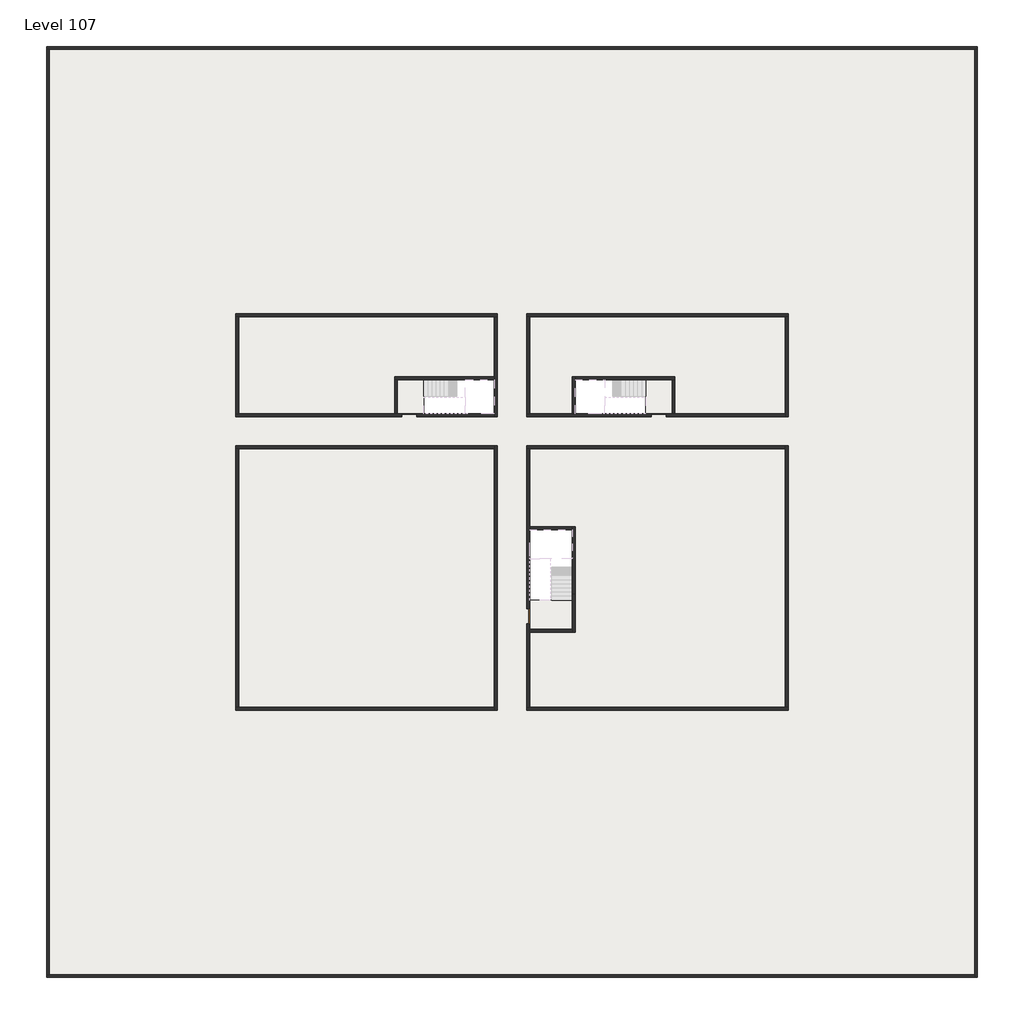
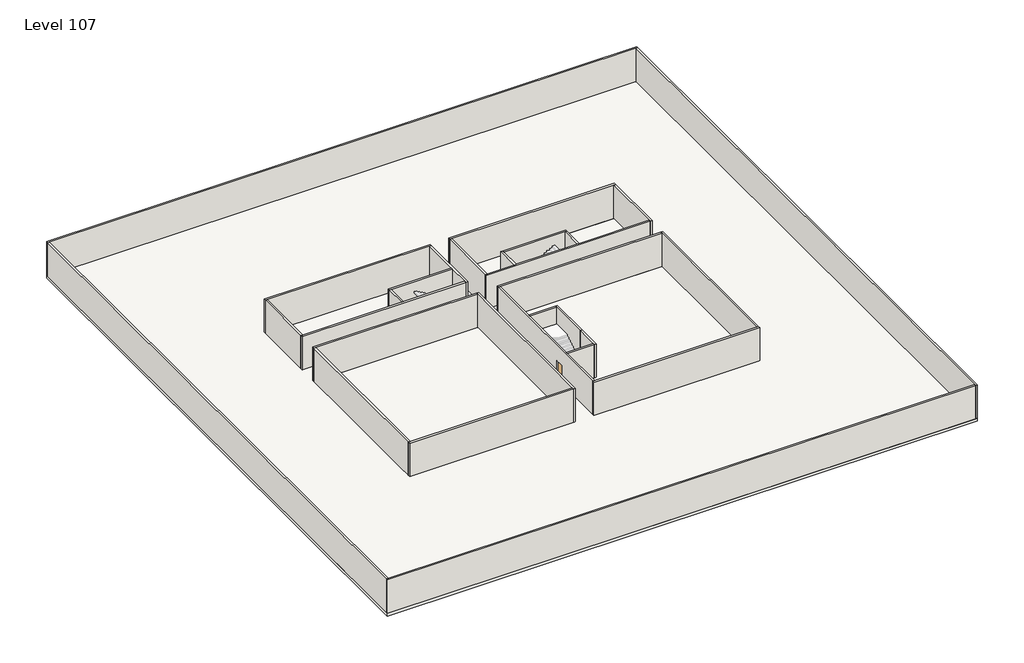
# One storey, part 1 of 2: 29 walls, 3 doors, 3 slabs.
"""IFC4 building model written with IfcOpenShell, lengths in millimetres."""

import ifcopenshell
import ifcopenshell.guid

model = None  # the IFC model being written
_history = None  # IfcOwnerHistory: only IFC2X3 demands one
_inside = {}  # id of a spatial element -> (the spatial element, [elements in it])
_under = {}  # id of a project, library or spatial element -> (it, [spatial elements below it])
_declared = {}  # id of a project -> (the project, [libraries it declares])
_typed = {}  # id of a type object -> (the type object, [elements of that type])
_made_of = {}  # id of a material, layer set ... -> (it, [elements and type objects made of it])


def new_model(schema):
    """Start an empty IFC model of exactly this schema.

    Asked for "IFC4X3", IfcOpenShell would pick the latest addendum, in which some entities
    have other attributes; the version numbers below select the first issue.
    IFC2X3 requires an IfcOwnerHistory on every rooted entity: one is made here for all.
    """
    global model, _history
    if schema == "IFC4X3":
        model = ifcopenshell.file(schema_version=(4, 3, 0, 0))
    else:
        model = ifcopenshell.file(schema=schema)
    _inside.clear()
    _under.clear()
    _declared.clear()
    _typed.clear()
    _made_of.clear()
    _history = None
    if model.schema == "IFC2X3":
        org = make("IfcOrganization", Name="unknown")
        user = make(
            "IfcPersonAndOrganization",
            ThePerson=make("IfcPerson", FamilyName="unknown"),
            TheOrganization=org,
        )
        app = make(
            "IfcApplication",
            ApplicationDeveloper=org,
            Version="unknown",
            ApplicationFullName="unknown",
            ApplicationIdentifier="unknown",
        )
        _history = make(
            "IfcOwnerHistory",
            OwningUser=user,
            OwningApplication=app,
            ChangeAction="ADDED",
            CreationDate=0,
        )
    return model


def make(cls, **values):
    """One entity of the class cls with the attributes given. An attribute that is None is left unset."""
    return model.create_entity(
        cls, **{name: value for name, value in values.items() if value is not None}
    )


def rooted(cls, **values):
    """An entity with a GlobalId (a new one), such as an element, a storey or a relation."""
    return make(cls, GlobalId=ifcopenshell.guid.new(), OwnerHistory=_history, **values)


def si_unit(unit_type, name, prefix=None):
    """IfcSIUnit, for example si_unit("LENGTHUNIT", "METRE", prefix="MILLI")."""
    return make("IfcSIUnit", UnitType=unit_type, Prefix=prefix, Name=name)


def assignment(units):
    """IfcUnitAssignment: the units of a project."""
    return None if units is None else make("IfcUnitAssignment", Units=units)


def point(xyz):
    """IfcCartesianPoint."""
    return None if xyz is None else make("IfcCartesianPoint", Coordinates=xyz)


def direction(xyz):
    """IfcDirection."""
    return None if xyz is None else make("IfcDirection", DirectionRatios=xyz)


def frame(location, z_axis=None, x_axis=None):
    """IfcAxis2Placement3D, a coordinate frame: its origin and axes. An axis left out is left unset."""
    return make(
        "IfcAxis2Placement3D",
        Location=point(location),
        Axis=direction(z_axis),
        RefDirection=direction(x_axis),
    )


def origin():
    """The frame at (0, 0, 0) with its axes left unset."""
    return frame((0.0, 0.0, 0.0))


def origin_with_axes():
    """The frame at (0, 0, 0) with the z axis (0, 0, 1) and the x axis (1, 0, 0) written out."""
    return frame((0.0, 0.0, 0.0), z_axis=(0.0, 0.0, 1.0), x_axis=(1.0, 0.0, 0.0))


def place(relative_to, where):
    """IfcLocalPlacement: puts the frame where relative to a parent placement (None: the world)."""
    return make(
        "IfcLocalPlacement", PlacementRelTo=relative_to, RelativePlacement=where
    )


def context(
    kind, dimensions, precision=None, world=None, true_north=None, identifier=None
):
    """IfcGeometricRepresentationContext, for example the 3D "Model" context."""
    return make(
        "IfcGeometricRepresentationContext",
        ContextIdentifier=identifier,
        ContextType=kind,
        CoordinateSpaceDimension=dimensions,
        Precision=precision,
        WorldCoordinateSystem=world,
        TrueNorth=true_north,
    )


def project(units=None, contexts=None):
    """IfcProject with its units and contexts."""
    return rooted(
        "IfcProject",
        Name="project",
        RepresentationContexts=contexts,
        UnitsInContext=assignment(units),
    )


def spatial(cls, under=None, at=None, **own):
    """A site, building, storey or space (cls), placed at a placement, below another one or the project."""
    s = rooted(cls, ObjectPlacement=at, **own)
    if under is not None:
        _under.setdefault(under.id(), (under, []))[1].append(s)
    return s


def polyline(points):
    """IfcPolyline through the points."""
    return make("IfcPolyline", Points=[point(p) for p in points])


def outline(outer, holes=None, kind="AREA"):
    """IfcArbitraryClosedProfileDef: a profile drawn as a closed curve; with holes, ...WithVoids."""
    if holes is None:
        return make("IfcArbitraryClosedProfileDef", ProfileType=kind, OuterCurve=outer)
    return make(
        "IfcArbitraryProfileDefWithVoids",
        ProfileType=kind,
        OuterCurve=outer,
        InnerCurves=holes,
    )


def extrude(swept, where, along, depth):
    """IfcExtrudedAreaSolid: the profile swept, set in the frame where, extruded along a direction by depth."""
    return make(
        "IfcExtrudedAreaSolid",
        SweptArea=swept,
        Position=where,
        ExtrudedDirection=direction(along),
        Depth=depth,
    )


def faces_of(points, faces, orient=None, outer=None):
    """IfcFace entities. A face is a list of loops; a loop is a list of indices into points, from 0.

    orient and outer hold one flag for each loop. By default every Orientation is true, the
    first loop of a face is its IfcFaceOuterBound and the others are IfcFaceBound.
    """
    made = []
    for i, loops in enumerate(faces):
        bounds = []
        for j, loop in enumerate(loops):
            is_outer = j == 0 if outer is None else outer[i][j]
            bounds.append(
                make(
                    "IfcFaceOuterBound" if is_outer else "IfcFaceBound",
                    Bound=make("IfcPolyLoop", Polygon=[points[k] for k in loop]),
                    Orientation=True if orient is None else orient[i][j],
                )
            )
        made.append(make("IfcFace", Bounds=bounds))
    return made


def faceted_brep(points, faces, orient=None, outer=None, voids=None):
    """IfcFacetedBrep: a solid bounded by flat faces; with voids (closed shells), ...WithVoids."""
    shared = [point(p) for p in points]
    hull = make("IfcClosedShell", CfsFaces=faces_of(shared, faces, orient, outer))
    if voids is None:
        return make("IfcFacetedBrep", Outer=hull)
    return make(
        "IfcFacetedBrepWithVoids",
        Outer=hull,
        Voids=[
            make(cls, CfsFaces=faces_of(shared, fs, o, b)) for cls, fs, o, b in voids
        ],
    )


def shape(context_of_items, identifier, shape_type, items):
    """IfcShapeRepresentation: the items that make up one representation, for example the "Body"."""
    return make(
        "IfcShapeRepresentation",
        ContextOfItems=context_of_items,
        RepresentationIdentifier=identifier,
        RepresentationType=shape_type,
        Items=items,
    )


def source(mapping_origin, context_of_items, identifier, shape_type, items):
    """IfcRepresentationMap: a shape defined once, which mapped items show again and again."""
    return make(
        "IfcRepresentationMap",
        MappingOrigin=mapping_origin,
        MappedRepresentation=shape(context_of_items, identifier, shape_type, items),
    )


def transform(
    local_origin,
    x_axis=None,
    y_axis=None,
    z_axis=None,
    scale=None,
    scale2=None,
    scale3=None,
    uniform=True,
):
    """IfcCartesianTransformationOperator3D, or its non-uniform kind. x_axis, y_axis, z_axis: its Axis1, 2, 3."""
    if uniform:
        return make(
            "IfcCartesianTransformationOperator3D",
            Axis1=direction(x_axis),
            Axis2=direction(y_axis),
            LocalOrigin=point(local_origin),
            Scale=scale,
            Axis3=direction(z_axis),
        )
    return make(
        "IfcCartesianTransformationOperator3DnonUniform",
        Axis1=direction(x_axis),
        Axis2=direction(y_axis),
        LocalOrigin=point(local_origin),
        Scale=scale,
        Axis3=direction(z_axis),
        Scale2=scale2,
        Scale3=scale3,
    )


def mapped(mapping_source, mapping_target):
    """IfcMappedItem: shows the shape of a source again, moved by a transform."""
    return make(
        "IfcMappedItem", MappingSource=mapping_source, MappingTarget=mapping_target
    )


def made_of(thing, what):
    """Note that an element or type object is made of a material, layer set ...; save() writes the relation."""
    if what is not None:
        _made_of.setdefault(what.id(), (what, []))[1].append(thing)
    return thing


def element(
    cls,
    number,
    at=None,
    inside=None,
    cuts=None,
    type_object=None,
    material=None,
    context=None,
    identifier="Body",
    shape_type=None,
    held_by="IfcProductDefinitionShape",
    body=None,
    shapes=None,
    **own,
):
    """One element of the class cls, such as IfcWall. Its Tag is "e" and its number.

    at: its placement. inside: the storey or other place that contains it. cuts: it is an
    opening in that element (IfcRelVoidsElement). A single representation is given by context,
    identifier, shape_type and body (its items); several are given by shapes. held_by: the class
    of the entity that holds the representations. save() writes the other relations.
    """
    e = rooted(cls, Tag="e%d" % number, ObjectPlacement=at, **own)
    if body is not None:
        shapes = [shape(context, identifier, shape_type, body)]
    if shapes is not None:
        e.Representation = make(held_by, Representations=shapes)
    if inside is not None:
        _inside.setdefault(inside.id(), (inside, []))[1].append(e)
    if cuts is not None:
        rooted(
            "IfcRelVoidsElement", RelatingBuildingElement=cuts, RelatedOpeningElement=e
        )
    if type_object is not None:
        _typed.setdefault(type_object.id(), (type_object, []))[1].append(e)
    return made_of(e, material)


def aggregate(whole, parts):
    """IfcRelAggregates: a whole, such as a stair, and the parts it consists of."""
    return rooted("IfcRelAggregates", RelatingObject=whole, RelatedObjects=parts)


def save(model, path):
    """Write the relations noted so far, then the file.

    IfcRelAggregates (storeys below a building ...), IfcRelContainedInSpatialStructure (elements
    in a storey), IfcRelDefinesByType, IfcRelAssociatesMaterial and IfcRelDeclares: one each for
    every whole, place, type object, material and project.
    """
    for whole, parts in _under.values():
        aggregate(whole, parts)
    for where, things in _inside.values():
        rooted(
            "IfcRelContainedInSpatialStructure",
            RelatedElements=things,
            RelatingStructure=where,
        )
    for kind, things in _typed.values():
        rooted("IfcRelDefinesByType", RelatedObjects=things, RelatingType=kind)
    for what, things in _made_of.values():
        rooted("IfcRelAssociatesMaterial", RelatedObjects=things, RelatingMaterial=what)
    for by, libraries in _declared.values():
        rooted("IfcRelDeclares", RelatingContext=by, RelatedDefinitions=libraries)
    model.write(path)


def door_fb3c37fd(model_context):
    return source(origin(), model_context, "Body", "SweptSolid", [
        extrude(outline(polyline([(500.0, 49.0), (-500.0, 49.0), (-500.0, 100.0), (500.0, 100.0), (500.0, 49.0)])), origin_with_axes(), (0.0, 0.0, 1.0), 2100.0),
    ])


def door_0317a72c(model_context):
    return source(origin(), model_context, "Body", "SweptSolid", [
        extrude(outline(polyline([(500.0, -49.0), (500.0, -100.0), (-500.0, -100.0), (-500.0, -49.0), (500.0, -49.0)])), origin_with_axes(), (0.0, 0.0, 1.0), 2100.0),
    ])


model = new_model("IFC4")

# Units and contexts
model_context = context("Model", 3, world=origin())
ifc_project = project(units=[si_unit("LENGTHUNIT", "METRE", prefix="MILLI")], contexts=[model_context])

# Site, building, storey
site = spatial("IfcSite", under=ifc_project)
building = spatial("IfcBuilding", under=site)
storey = spatial("IfcBuildingStorey", under=building, Name="Level 107", Elevation=402800.0)

# Doors
placement = place(None, origin())
door_shape = door_fb3c37fd(model_context)
element("IfcDoor", 1, at=placement, inside=storey, context=model_context, shape_type="MappedRepresentation", body=[
    mapped(door_shape, transform((34190.1058784, -30618.09644, 402800.0), x_axis=(1.0, 0.0, 0.0), y_axis=(0.0, 1.0, 0.0), z_axis=(0.0, 0.0, 1.0))),
])
element("IfcDoor", 2, at=placement, inside=storey, context=model_context, shape_type="MappedRepresentation", body=[
    mapped(door_shape, transform((25290.1058784, -44318.09644, 402800.0), x_axis=(0.0, -1.0, 0.0), y_axis=(1.0, 0.0, 0.0), z_axis=(0.0, 0.0, 1.0))),
])
door_2_shape = door_0317a72c(model_context)
element("IfcDoor", 3, at=placement, inside=storey, context=model_context, shape_type="MappedRepresentation", body=[
    mapped(door_2_shape, transform((17190.1058784, -30618.09644, 402800.0), x_axis=(-1.0, 0.0, 0.0), y_axis=(0.0, -1.0, 0.0), z_axis=(0.0, 0.0, 1.0))),
])

# Slabs
element("IfcSlab", 4, at=placement, inside=storey, context=model_context, shape_type="SweptSolid", body=[
    extrude(outline(polyline([(55890.1058784, -5518.09644), (55890.1058784, -68918.09644), (-7509.8941216, -68918.09644), (-7509.8941216, -5518.09644), (55890.1058784, -5518.09644)]), holes=[polyline([(22990.1058784, -23918.09644), (5590.1058784, -23918.09644), (5590.1058784, -30518.09644), (22990.1058784, -30518.09644), (22990.1058784, -23918.09644)]), polyline([(42990.1058784, -23918.09644), (25390.1058784, -23918.09644), (25390.1058784, -30518.09644), (42990.1058784, -30518.09644), (42990.1058784, -23918.09644)]), polyline([(25390.1058784, -50518.09644), (42790.1058784, -50518.09644), (42790.1058784, -32918.09644), (25390.1058784, -32918.09644), (25390.1058784, -50518.09644)]), polyline([(22990.1058784, -32918.09644), (5590.1058784, -32918.09644), (5590.1058784, -50518.09644), (22990.1058784, -50518.09644), (22990.1058784, -32918.09644)])]), frame((0.0, 0.0, 402500.0), z_axis=(0.0, 0.0, 1.0), x_axis=(1.0, 0.0, 0.0)), (0.0, 0.0, 1.0), 300.0),
])
element("IfcSlab", 5, at=placement, inside=storey, context=model_context, shape_type="SweptSolid", body=[
    extrude(outline(polyline([(22990.1058784, -23918.09644), (22990.1058784, -28018.09644), (16190.1058784, -28018.09644), (16190.1058784, -30518.09644), (5590.1058784, -30518.09644), (5590.1058784, -23918.09644), (22990.1058784, -23918.09644)])), frame((0.0, 0.0, 402500.0), z_axis=(0.0, 0.0, 1.0), x_axis=(1.0, 0.0, 0.0)), (0.0, 0.0, 1.0), 300.0),
    extrude(outline(polyline([(42790.1058784, -23918.09644), (42790.1058784, -30518.09644), (35290.1058784, -30518.09644), (35290.1058784, -28018.09644), (28490.1058784, -28018.09644), (28490.1058784, -30518.09644), (25390.1058784, -30518.09644), (25390.1058784, -23918.09644), (42790.1058784, -23918.09644)])), frame((0.0, 0.0, 402500.0), z_axis=(0.0, 0.0, 1.0), x_axis=(1.0, 0.0, 0.0)), (0.0, 0.0, 1.0), 300.0),
    extrude(outline(polyline([(22990.1058784, -32918.09644), (22990.1058784, -50518.09644), (5590.1058784, -50518.09644), (5590.1058784, -32918.09644), (22990.1058784, -32918.09644)])), frame((0.0, 0.0, 402500.0), z_axis=(0.0, 0.0, 1.0), x_axis=(1.0, 0.0, 0.0)), (0.0, 0.0, 1.0), 300.0),
    extrude(outline(polyline([(25390.1058784, -38218.09644), (25390.1058784, -32918.09644), (42790.1058784, -32918.09644), (42790.1058784, -50518.09644), (25390.1058784, -50518.09644), (25390.1058784, -45418.09644), (28490.1058784, -45418.09644), (28490.1058784, -38218.09644), (25390.1058784, -38218.09644)])), frame((0.0, 0.0, 402500.0), z_axis=(0.0, 0.0, 1.0), x_axis=(1.0, 0.0, 0.0)), (0.0, 0.0, 1.0), 300.0),
])
element("IfcSlab", 6, at=placement, inside=storey, context=model_context, shape_type="SweptSolid", body=[
    extrude(outline(polyline([(35090.1058784, -28218.09644), (35090.1058784, -30518.09644), (33290.1058784, -30518.09644), (33290.1058784, -28218.09644), (35090.1058784, -28218.09644)])), frame((0.0, 0.0, 402500.0), z_axis=(0.0, 0.0, 1.0), x_axis=(1.0, 0.0, 0.0)), (0.0, 0.0, 1.0), 300.0),
    extrude(outline(polyline([(18190.1058784, -28218.09644), (18190.1058784, -30518.09644), (16390.1058784, -30518.09644), (16390.1058784, -28218.09644), (18190.1058784, -28218.09644)])), frame((0.0, 0.0, 402500.0), z_axis=(0.0, 0.0, 1.0), x_axis=(1.0, 0.0, 0.0)), (0.0, 0.0, 1.0), 300.0),
    extrude(outline(polyline([(28290.1058784, -43218.09644), (28290.1058784, -45218.09644), (25390.1058784, -45218.09644), (25390.1058784, -43218.09644), (28290.1058784, -43218.09644)])), frame((0.0, 0.0, 402500.0), z_axis=(0.0, 0.0, 1.0), x_axis=(1.0, 0.0, 0.0)), (0.0, 0.0, 1.0), 300.0),
])

# Walls
element("IfcWall", 7, at=placement, inside=storey, context=model_context, shape_type="Brep", body=[
    faceted_brep([(-7509.8941216, -5718.09644, 402800.0), (-7309.8941216, -5718.09644, 402800.0), (55690.1058784, -5718.09644, 402800.0), (55890.1058784, -5718.09644, 402800.0), (55890.1058784, -5718.09644, 406600.0), (55690.1058784, -5718.09644, 406600.0), (-7309.8941216, -5718.09644, 406600.0), (-7509.8941216, -5718.09644, 406600.0), (-7509.8941216, -5518.09644, 402800.0), (-7509.8941216, -5518.09644, 406600.0), (55890.1058784, -5518.09644, 406600.0), (55890.1058784, -5518.09644, 402800.0)], [[[0, 1, 2, 3, 4, 5, 6, 7]], [[8, 9, 10, 11]], [[3, 2, 1, 0, 8, 11]], [[7, 6, 5, 4, 10, 9]], [[0, 7, 9, 8]], [[4, 3, 11, 10]]]),
])
element("IfcWall", 8, at=placement, inside=storey, context=model_context, shape_type="Brep", body=[
    faceted_brep([(55690.1058784, -5718.09644, 402800.0), (55690.1058784, -68718.09644, 402800.0), (55690.1058784, -68918.09644, 402800.0), (55690.1058784, -68918.09644, 406600.0), (55690.1058784, -68718.09644, 406600.0), (55690.1058784, -5718.09644, 406600.0), (55890.1058784, -5718.09644, 402800.0), (55890.1058784, -5718.09644, 406600.0), (55890.1058784, -68918.09644, 406600.0), (55890.1058784, -68918.09644, 402800.0)], [[[0, 1, 2, 3, 4, 5]], [[6, 7, 8, 9]], [[2, 1, 0, 6, 9]], [[5, 4, 3, 8, 7]], [[3, 2, 9, 8]], [[0, 5, 7, 6]]]),
])
element("IfcWall", 9, at=placement, inside=storey, context=model_context, shape_type="Brep", body=[
    faceted_brep([(55690.1058784, -68718.09644, 402800.0), (-7309.8941216, -68718.09644, 402800.0), (-7509.8941216, -68718.09644, 402800.0), (-7509.8941216, -68718.09644, 406600.0), (-7309.8941216, -68718.09644, 406600.0), (55690.1058784, -68718.09644, 406600.0), (55690.1058784, -68918.09644, 402800.0), (55690.1058784, -68918.09644, 406600.0), (-7509.8941216, -68918.09644, 406600.0), (-7509.8941216, -68918.09644, 402800.0)], [[[0, 1, 2, 3, 4, 5]], [[6, 7, 8, 9]], [[2, 1, 0, 6, 9]], [[5, 4, 3, 8, 7]], [[3, 2, 9, 8]], [[0, 5, 7, 6]]]),
])
element("IfcWall", 10, at=placement, inside=storey, context=model_context, shape_type="SweptSolid", body=[
    extrude(outline(polyline([(-7309.8941216, -5718.09644), (-7309.8941216, -68718.09644), (-7509.8941216, -68718.09644), (-7509.8941216, -5718.09644), (-7309.8941216, -5718.09644)])), frame((0.0, 0.0, 402800.0), z_axis=(0.0, 0.0, 1.0), x_axis=(1.0, 0.0, 0.0)), (0.0, 0.0, 1.0), 3800.0),
])
element("IfcWall", 11, at=placement, inside=storey, context=model_context, shape_type="Brep", body=[
    faceted_brep([(5390.1058784, -23918.09644, 402800.0), (5590.1058784, -23918.09644, 402800.0), (22990.1058784, -23918.09644, 402800.0), (23190.1058784, -23918.09644, 402800.0), (23190.1058784, -23918.09644, 406600.0), (22990.1058784, -23918.09644, 406600.0), (5590.1058784, -23918.09644, 406600.0), (5390.1058784, -23918.09644, 406600.0), (5390.1058784, -23718.09644, 402800.0), (5390.1058784, -23718.09644, 406600.0), (23190.1058784, -23718.09644, 406600.0), (23190.1058784, -23718.09644, 402800.0)], [[[0, 1, 2, 3, 4, 5, 6, 7]], [[8, 9, 10, 11]], [[3, 2, 1, 0, 8, 11]], [[7, 6, 5, 4, 10, 9]], [[4, 3, 11, 10]], [[0, 7, 9, 8]]]),
])
element("IfcWall", 12, at=placement, inside=storey, context=model_context, shape_type="Brep", body=[
    faceted_brep([(22990.1058784, -23918.09644, 402800.0), (22990.1058784, -28018.09644, 402800.0), (22990.1058784, -28218.09644, 402800.0), (22990.1058784, -30518.09644, 402800.0), (22990.1058784, -30718.09644, 402800.0), (22990.1058784, -30718.09644, 406600.0), (22990.1058784, -30518.09644, 406600.0), (22990.1058784, -28218.09644, 406600.0), (22990.1058784, -28018.09644, 406600.0), (22990.1058784, -23918.09644, 406600.0), (23190.1058784, -23918.09644, 402800.0), (23190.1058784, -23918.09644, 406600.0), (23190.1058784, -30718.09644, 406600.0), (23190.1058784, -30718.09644, 402800.0)], [[[0, 1, 2, 3, 4, 5, 6, 7, 8, 9]], [[10, 11, 12, 13]], [[4, 3, 2, 1, 0, 10, 13]], [[9, 8, 7, 6, 5, 12, 11]], [[0, 9, 11, 10]], [[5, 4, 13, 12]]]),
])
element("IfcWall", 13, at=placement, inside=storey, context=model_context, shape_type="Brep", body=[
    faceted_brep([(25190.1058784, -44818.09644, 404900.0), (25190.1058784, -44818.09644, 402800.0), (25190.1058784, -50518.09644, 402800.0), (25190.1058784, -50518.09644, 406600.0), (25190.1058784, -32918.09644, 406600.0), (25190.1058784, -32918.09644, 402800.0), (25190.1058784, -43818.09644, 402800.0), (25190.1058784, -43818.09644, 404900.0), (25390.1058784, -50518.09644, 402800.0), (25390.1058784, -45418.09644, 402800.0), (25390.1058784, -45218.09644, 402800.0), (25390.1058784, -44818.09644, 402800.0), (25390.1058784, -44818.09644, 404900.0), (25390.1058784, -43818.09644, 404900.0), (25390.1058784, -43818.09644, 402800.0), (25390.1058784, -38418.09644, 402800.0), (25390.1058784, -38218.09644, 402800.0), (25390.1058784, -32918.09644, 402800.0), (25390.1058784, -32918.09644, 406600.0), (25390.1058784, -38218.09644, 406600.0), (25390.1058784, -38418.09644, 406600.0), (25390.1058784, -45218.09644, 406600.0), (25390.1058784, -45418.09644, 406600.0), (25390.1058784, -50518.09644, 406600.0)], [[[0, 1, 2, 3, 4, 5, 6, 7]], [[8, 9, 10, 11, 12, 13, 14, 15, 16, 17, 18, 19, 20, 21, 22, 23]], [[6, 5, 17, 16, 15, 14]], [[2, 1, 11, 10, 9, 8]], [[4, 3, 23, 22, 21, 20, 19, 18]], [[12, 11, 1, 0]], [[13, 12, 0, 7]], [[14, 13, 7, 6]], [[5, 4, 18, 17]], [[3, 2, 8, 23]]]),
])
element("IfcWall", 14, at=placement, inside=storey, context=model_context, shape_type="Brep", body=[
    faceted_brep([(22990.1058784, -32718.09644, 402800.0), (22990.1058784, -32918.09644, 402800.0), (22990.1058784, -50518.09644, 402800.0), (22990.1058784, -50718.09644, 402800.0), (22990.1058784, -50718.09644, 406600.0), (22990.1058784, -50518.09644, 406600.0), (22990.1058784, -32918.09644, 406600.0), (22990.1058784, -32718.09644, 406600.0), (23190.1058784, -32718.09644, 402800.0), (23190.1058784, -32718.09644, 406600.0), (23190.1058784, -50718.09644, 406600.0), (23190.1058784, -50718.09644, 402800.0)], [[[0, 1, 2, 3, 4, 5, 6, 7]], [[8, 9, 10, 11]], [[3, 2, 1, 0, 8, 11]], [[7, 6, 5, 4, 10, 9]], [[4, 3, 11, 10]], [[0, 7, 9, 8]]]),
])
element("IfcWall", 15, at=placement, inside=storey, context=model_context, shape_type="Brep", body=[
    faceted_brep([(22990.1058784, -50518.09644, 402800.0), (5590.1058784, -50518.09644, 402800.0), (5390.1058784, -50518.09644, 402800.0), (5390.1058784, -50518.09644, 406600.0), (5590.1058784, -50518.09644, 406600.0), (22990.1058784, -50518.09644, 406600.0), (22990.1058784, -50718.09644, 402800.0), (22990.1058784, -50718.09644, 406600.0), (5390.1058784, -50718.09644, 406600.0), (5390.1058784, -50718.09644, 402800.0)], [[[0, 1, 2, 3, 4, 5]], [[6, 7, 8, 9]], [[2, 1, 0, 6, 9]], [[5, 4, 3, 8, 7]], [[0, 5, 7, 6]], [[3, 2, 9, 8]]]),
])
element("IfcWall", 16, at=placement, inside=storey, context=model_context, shape_type="Brep", body=[
    faceted_brep([(28290.1058784, -42818.09644, 402800.0), (28290.1058784, -45218.09644, 402800.0), (28290.1058784, -45418.09644, 402800.0), (28290.1058784, -45418.09644, 406600.0), (28290.1058784, -45218.09644, 406600.0), (28290.1058784, -42818.09644, 406600.0), (28490.1058784, -42818.09644, 402800.0), (28490.1058784, -42818.09644, 406600.0), (28490.1058784, -45418.09644, 406600.0), (28490.1058784, -45418.09644, 402800.0)], [[[0, 1, 2, 3, 4, 5]], [[6, 7, 8, 9]], [[2, 1, 0, 6, 9]], [[5, 4, 3, 8, 7]], [[0, 5, 7, 6]], [[3, 2, 9, 8]]]),
])
element("IfcWall", 17, at=placement, inside=storey, context=model_context, shape_type="SweptSolid", body=[
    extrude(outline(polyline([(5390.1058784, -30518.09644), (5390.1058784, -23918.09644), (5590.1058784, -23918.09644), (5590.1058784, -30518.09644), (5390.1058784, -30518.09644)])), frame((0.0, 0.0, 402800.0), z_axis=(0.0, 0.0, 1.0), x_axis=(1.0, 0.0, 0.0)), (0.0, 0.0, 1.0), 3800.0),
])
element("IfcWall", 18, at=placement, inside=storey, context=model_context, shape_type="Brep", body=[
    faceted_brep([(5390.1058784, -30718.09644, 402800.0), (16690.1058784, -30718.09644, 402800.0), (16690.1058784, -30718.09644, 404900.0), (17690.1058784, -30718.09644, 404900.0), (17690.1058784, -30718.09644, 402800.0), (22990.1058784, -30718.09644, 402800.0), (22990.1058784, -30718.09644, 406600.0), (5390.1058784, -30718.09644, 406600.0), (16690.1058784, -30518.09644, 404900.0), (16690.1058784, -30518.09644, 402800.0), (16390.1058784, -30518.09644, 402800.0), (16190.1058784, -30518.09644, 402800.0), (5590.1058784, -30518.09644, 402800.0), (5390.1058784, -30518.09644, 402800.0), (5390.1058784, -30518.09644, 406600.0), (5590.1058784, -30518.09644, 406600.0), (16190.1058784, -30518.09644, 406600.0), (16390.1058784, -30518.09644, 406600.0), (22990.1058784, -30518.09644, 406600.0), (22990.1058784, -30518.09644, 402800.0), (17690.1058784, -30518.09644, 402800.0), (17690.1058784, -30518.09644, 404900.0)], [[[0, 1, 2, 3, 4, 5, 6, 7]], [[8, 9, 10, 11, 12, 13, 14, 15, 16, 17, 18, 19, 20, 21]], [[20, 19, 5, 4]], [[13, 12, 11, 10, 9, 1, 0]], [[7, 6, 18, 17, 16, 15, 14]], [[2, 1, 9, 8]], [[3, 2, 8, 21]], [[4, 3, 21, 20]], [[0, 7, 14, 13]], [[6, 5, 19, 18]]]),
])
element("IfcWall", 19, at=placement, inside=storey, context=model_context, shape_type="Brep", body=[
    faceted_brep([(28490.1058784, -42818.09644, 402800.0), (28490.1058784, -38218.09644, 402800.0), (28490.1058784, -38218.09644, 406600.0), (28490.1058784, -42818.09644, 406600.0), (28290.1058784, -42818.09644, 402800.0), (28290.1058784, -42818.09644, 406600.0), (28290.1058784, -38418.09644, 406600.0), (28290.1058784, -38218.09644, 406600.0), (28290.1058784, -38218.09644, 402800.0), (28290.1058784, -38418.09644, 402800.0)], [[[0, 1, 2, 3]], [[4, 5, 6, 7, 8, 9]], [[1, 0, 4, 9, 8]], [[3, 2, 7, 6, 5]], [[0, 3, 5, 4]], [[2, 1, 8, 7]]]),
])
element("IfcWall", 20, at=placement, inside=storey, context=model_context, shape_type="SweptSolid", body=[
    extrude(outline(polyline([(25390.1058784, -38218.09644), (28290.1058784, -38218.09644), (28290.1058784, -38418.09644), (25390.1058784, -38418.09644), (25390.1058784, -38218.09644)])), frame((0.0, 0.0, 402800.0), z_axis=(0.0, 0.0, 1.0), x_axis=(1.0, 0.0, 0.0)), (0.0, 0.0, 1.0), 3800.0),
])
element("IfcWall", 21, at=placement, inside=storey, context=model_context, shape_type="SweptSolid", body=[
    extrude(outline(polyline([(28290.1058784, -45418.09644), (25390.1058784, -45418.09644), (25390.1058784, -45218.09644), (28290.1058784, -45218.09644), (28290.1058784, -45418.09644)])), frame((0.0, 0.0, 402800.0), z_axis=(0.0, 0.0, 1.0), x_axis=(1.0, 0.0, 0.0)), (0.0, 0.0, 1.0), 3800.0),
])
element("IfcWall", 22, at=placement, inside=storey, context=model_context, shape_type="Brep", body=[
    faceted_brep([(5390.1058784, -32918.09644, 402800.0), (5590.1058784, -32918.09644, 402800.0), (22990.1058784, -32918.09644, 402800.0), (22990.1058784, -32918.09644, 406600.0), (5590.1058784, -32918.09644, 406600.0), (5390.1058784, -32918.09644, 406600.0), (5390.1058784, -32718.09644, 402800.0), (5390.1058784, -32718.09644, 406600.0), (22990.1058784, -32718.09644, 406600.0), (22990.1058784, -32718.09644, 402800.0)], [[[0, 1, 2, 3, 4, 5]], [[6, 7, 8, 9]], [[2, 1, 0, 6, 9]], [[5, 4, 3, 8, 7]], [[3, 2, 9, 8]], [[0, 5, 7, 6]]]),
])
element("IfcWall", 23, at=placement, inside=storey, context=model_context, shape_type="SweptSolid", body=[
    extrude(outline(polyline([(5390.1058784, -50518.09644), (5390.1058784, -32918.09644), (5590.1058784, -32918.09644), (5590.1058784, -50518.09644), (5390.1058784, -50518.09644)])), frame((0.0, 0.0, 402800.0), z_axis=(0.0, 0.0, 1.0), x_axis=(1.0, 0.0, 0.0)), (0.0, 0.0, 1.0), 3800.0),
])
element("IfcWall", 24, at=placement, inside=storey, context=model_context, shape_type="Brep", body=[
    faceted_brep([(25190.1058784, -50718.09644, 402800.0), (42990.1058784, -50718.09644, 402800.0), (42990.1058784, -50718.09644, 406600.0), (25190.1058784, -50718.09644, 406600.0), (25190.1058784, -50518.09644, 402800.0), (25190.1058784, -50518.09644, 406600.0), (25390.1058784, -50518.09644, 406600.0), (42790.1058784, -50518.09644, 406600.0), (42990.1058784, -50518.09644, 406600.0), (42990.1058784, -50518.09644, 402800.0), (42790.1058784, -50518.09644, 402800.0), (25390.1058784, -50518.09644, 402800.0)], [[[0, 1, 2, 3]], [[4, 5, 6, 7, 8, 9, 10, 11]], [[1, 0, 4, 11, 10, 9]], [[3, 2, 8, 7, 6, 5]], [[2, 1, 9, 8]], [[0, 3, 5, 4]]]),
])
element("IfcWall", 25, at=placement, inside=storey, context=model_context, shape_type="Brep", body=[
    faceted_brep([(42990.1058784, -50518.09644, 402800.0), (42990.1058784, -32718.09644, 402800.0), (42990.1058784, -32718.09644, 406600.0), (42990.1058784, -50518.09644, 406600.0), (42790.1058784, -50518.09644, 402800.0), (42790.1058784, -50518.09644, 406600.0), (42790.1058784, -32918.09644, 406600.0), (42790.1058784, -32718.09644, 406600.0), (42790.1058784, -32718.09644, 402800.0), (42790.1058784, -32918.09644, 402800.0)], [[[0, 1, 2, 3]], [[4, 5, 6, 7, 8, 9]], [[1, 0, 4, 9, 8]], [[3, 2, 7, 6, 5]], [[0, 3, 5, 4]], [[2, 1, 8, 7]]]),
])
element("IfcWall", 26, at=placement, inside=storey, context=model_context, shape_type="Brep", body=[
    faceted_brep([(42790.1058784, -32718.09644, 402800.0), (25190.1058784, -32718.09644, 402800.0), (25190.1058784, -32718.09644, 406600.0), (42790.1058784, -32718.09644, 406600.0), (42790.1058784, -32918.09644, 402800.0), (42790.1058784, -32918.09644, 406600.0), (25390.1058784, -32918.09644, 406600.0), (25190.1058784, -32918.09644, 406600.0), (25190.1058784, -32918.09644, 402800.0), (25390.1058784, -32918.09644, 402800.0)], [[[0, 1, 2, 3]], [[4, 5, 6, 7, 8, 9]], [[1, 0, 4, 9, 8]], [[3, 2, 7, 6, 5]], [[0, 3, 5, 4]], [[2, 1, 8, 7]]]),
])
element("IfcWall", 27, at=placement, inside=storey, context=model_context, shape_type="Brep", body=[
    faceted_brep([(25190.1058784, -23918.09644, 402800.0), (25390.1058784, -23918.09644, 402800.0), (42790.1058784, -23918.09644, 402800.0), (42990.1058784, -23918.09644, 402800.0), (42990.1058784, -23918.09644, 406600.0), (42790.1058784, -23918.09644, 406600.0), (25390.1058784, -23918.09644, 406600.0), (25190.1058784, -23918.09644, 406600.0), (25190.1058784, -23718.09644, 402800.0), (25190.1058784, -23718.09644, 406600.0), (42990.1058784, -23718.09644, 406600.0), (42990.1058784, -23718.09644, 402800.0)], [[[0, 1, 2, 3, 4, 5, 6, 7]], [[8, 9, 10, 11]], [[3, 2, 1, 0, 8, 11]], [[7, 6, 5, 4, 10, 9]], [[0, 7, 9, 8]], [[4, 3, 11, 10]]]),
])
element("IfcWall", 28, at=placement, inside=storey, context=model_context, shape_type="Brep", body=[
    faceted_brep([(42790.1058784, -23918.09644, 402800.0), (42790.1058784, -30518.09644, 402800.0), (42790.1058784, -30718.09644, 402800.0), (42790.1058784, -30718.09644, 406600.0), (42790.1058784, -30518.09644, 406600.0), (42790.1058784, -23918.09644, 406600.0), (42990.1058784, -23918.09644, 402800.0), (42990.1058784, -23918.09644, 406600.0), (42990.1058784, -30718.09644, 406600.0), (42990.1058784, -30718.09644, 402800.0)], [[[0, 1, 2, 3, 4, 5]], [[6, 7, 8, 9]], [[2, 1, 0, 6, 9]], [[5, 4, 3, 8, 7]], [[0, 5, 7, 6]], [[3, 2, 9, 8]]]),
])
element("IfcWall", 29, at=placement, inside=storey, context=model_context, shape_type="Brep", body=[
    faceted_brep([(42790.1058784, -30518.09644, 402800.0), (35290.1058784, -30518.09644, 402800.0), (35090.1058784, -30518.09644, 402800.0), (34690.1058784, -30518.09644, 402800.0), (34690.1058784, -30518.09644, 404900.0), (33690.1058784, -30518.09644, 404900.0), (33690.1058784, -30518.09644, 402800.0), (28490.1058784, -30518.09644, 402800.0), (28290.1058784, -30518.09644, 402800.0), (25390.1058784, -30518.09644, 402800.0), (25190.1058784, -30518.09644, 402800.0), (25190.1058784, -30518.09644, 406600.0), (25390.1058784, -30518.09644, 406600.0), (28290.1058784, -30518.09644, 406600.0), (28490.1058784, -30518.09644, 406600.0), (35090.1058784, -30518.09644, 406600.0), (35290.1058784, -30518.09644, 406600.0), (42790.1058784, -30518.09644, 406600.0), (34690.1058784, -30718.09644, 404900.0), (34690.1058784, -30718.09644, 402800.0), (42790.1058784, -30718.09644, 402800.0), (42790.1058784, -30718.09644, 406600.0), (25190.1058784, -30718.09644, 406600.0), (25190.1058784, -30718.09644, 402800.0), (33690.1058784, -30718.09644, 402800.0), (33690.1058784, -30718.09644, 404900.0)], [[[0, 1, 2, 3, 4, 5, 6, 7, 8, 9, 10, 11, 12, 13, 14, 15, 16, 17]], [[18, 19, 20, 21, 22, 23, 24, 25]], [[24, 23, 10, 9, 8, 7, 6]], [[20, 19, 3, 2, 1, 0]], [[17, 16, 15, 14, 13, 12, 11, 22, 21]], [[4, 3, 19, 18]], [[5, 4, 18, 25]], [[6, 5, 25, 24]], [[11, 10, 23, 22]], [[0, 17, 21, 20]]]),
])
element("IfcWall", 30, at=placement, inside=storey, context=model_context, shape_type="SweptSolid", body=[
    extrude(outline(polyline([(25390.1058784, -23918.09644), (25390.1058784, -30518.09644), (25190.1058784, -30518.09644), (25190.1058784, -23918.09644), (25390.1058784, -23918.09644)])), frame((0.0, 0.0, 402800.0), z_axis=(0.0, 0.0, 1.0), x_axis=(1.0, 0.0, 0.0)), (0.0, 0.0, 1.0), 3800.0),
])
element("IfcWall", 31, at=placement, inside=storey, context=model_context, shape_type="Brep", body=[
    faceted_brep([(28490.1058784, -30518.09644, 402800.0), (28490.1058784, -28218.09644, 402800.0), (28490.1058784, -28018.09644, 402800.0), (28490.1058784, -28018.09644, 406600.0), (28490.1058784, -28218.09644, 406600.0), (28490.1058784, -30518.09644, 406600.0), (28290.1058784, -30518.09644, 402800.0), (28290.1058784, -30518.09644, 406600.0), (28290.1058784, -28018.09644, 406600.0), (28290.1058784, -28018.09644, 402800.0)], [[[0, 1, 2, 3, 4, 5]], [[6, 7, 8, 9]], [[2, 1, 0, 6, 9]], [[5, 4, 3, 8, 7]], [[3, 2, 9, 8]], [[0, 5, 7, 6]]]),
])
element("IfcWall", 32, at=placement, inside=storey, context=model_context, shape_type="Brep", body=[
    faceted_brep([(28490.1058784, -28218.09644, 402800.0), (35090.1058784, -28218.09644, 402800.0), (35290.1058784, -28218.09644, 402800.0), (35290.1058784, -28218.09644, 406600.0), (35090.1058784, -28218.09644, 406600.0), (28490.1058784, -28218.09644, 406600.0), (28490.1058784, -28018.09644, 402800.0), (28490.1058784, -28018.09644, 406600.0), (35290.1058784, -28018.09644, 406600.0), (35290.1058784, -28018.09644, 402800.0)], [[[0, 1, 2, 3, 4, 5]], [[6, 7, 8, 9]], [[2, 1, 0, 6, 9]], [[5, 4, 3, 8, 7]], [[0, 5, 7, 6]], [[3, 2, 9, 8]]]),
])
element("IfcWall", 33, at=placement, inside=storey, context=model_context, shape_type="SweptSolid", body=[
    extrude(outline(polyline([(35090.1058784, -30518.09644), (35090.1058784, -28218.09644), (35290.1058784, -28218.09644), (35290.1058784, -30518.09644), (35090.1058784, -30518.09644)])), frame((0.0, 0.0, 402800.0), z_axis=(0.0, 0.0, 1.0), x_axis=(1.0, 0.0, 0.0)), (0.0, 0.0, 1.0), 3800.0),
])
element("IfcWall", 34, at=placement, inside=storey, context=model_context, shape_type="Brep", body=[
    faceted_brep([(22990.1058784, -28018.09644, 402800.0), (16190.1058784, -28018.09644, 402800.0), (16190.1058784, -28018.09644, 406600.0), (22990.1058784, -28018.09644, 406600.0), (22990.1058784, -28218.09644, 402800.0), (22990.1058784, -28218.09644, 406600.0), (16390.1058784, -28218.09644, 406600.0), (16190.1058784, -28218.09644, 406600.0), (16190.1058784, -28218.09644, 402800.0), (16390.1058784, -28218.09644, 402800.0)], [[[0, 1, 2, 3]], [[4, 5, 6, 7, 8, 9]], [[1, 0, 4, 9, 8]], [[3, 2, 7, 6, 5]], [[0, 3, 5, 4]], [[2, 1, 8, 7]]]),
])
element("IfcWall", 35, at=placement, inside=storey, context=model_context, shape_type="SweptSolid", body=[
    extrude(outline(polyline([(16190.1058784, -30518.09644), (16190.1058784, -28218.09644), (16390.1058784, -28218.09644), (16390.1058784, -30518.09644), (16190.1058784, -30518.09644)])), frame((0.0, 0.0, 402800.0), z_axis=(0.0, 0.0, 1.0), x_axis=(1.0, 0.0, 0.0)), (0.0, 0.0, 1.0), 3800.0),
])

save(model, "model.ifc")
